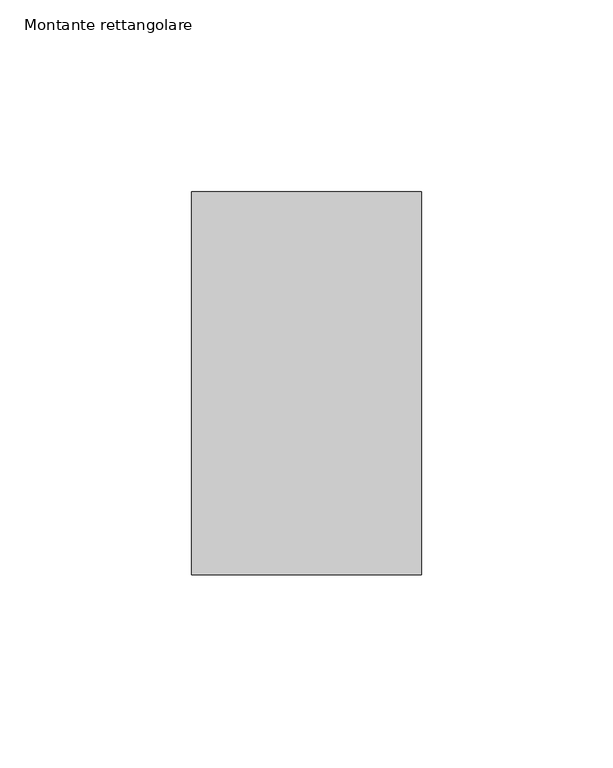
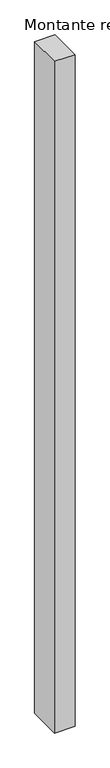
"""IFC4 building model written with IfcOpenShell, lengths in millimetres: member geometry, Montante rettangolare."""

from ifc_helpers import new_model, si_unit, frame, origin, place, context, project, spatial, polyline, outline, extrude, source, transform, mapped, element, save


def montante_rettangolare_d4032a57(model_context):
    return source(origin(), model_context, "Body", "SweptSolid", [
        extrude(outline(polyline([(0.0, 50.0), (0.0, -50.0), (-60.0, -50.0), (-60.0, 50.0), (0.0, 50.0)])), frame((0.0, 0.0, -2071.7782401), z_axis=(0.0, 0.0, 1.0), x_axis=(1.0, 0.0, 0.0)), (0.0, 0.0, 1.0), 2071.7782401),
    ])


if __name__ == "__main__":
    model = new_model("IFC4")
    model_context = context("Model", 3, world=origin())
    ifc_project = project(units=[si_unit("LENGTHUNIT", "METRE", prefix="MILLI")], contexts=[model_context])
    site = spatial("IfcSite", under=ifc_project)
    building = spatial("IfcBuilding", under=site)
    placement = place(None, origin())
    montante_rettangolare_shape = montante_rettangolare_d4032a57(model_context)
    element("IfcMember", 1, ObjectType="Montante rettangolare", at=placement, inside=building, context=model_context, shape_type="MappedRepresentation", body=[
        mapped(montante_rettangolare_shape, transform((0.0, 0.0, 0.0), x_axis=(1.0, 0.0, 0.0), y_axis=(0.0, 1.0, 0.0), z_axis=(0.0, 0.0, 1.0))),
    ])
    save(model, "model.ifc")
